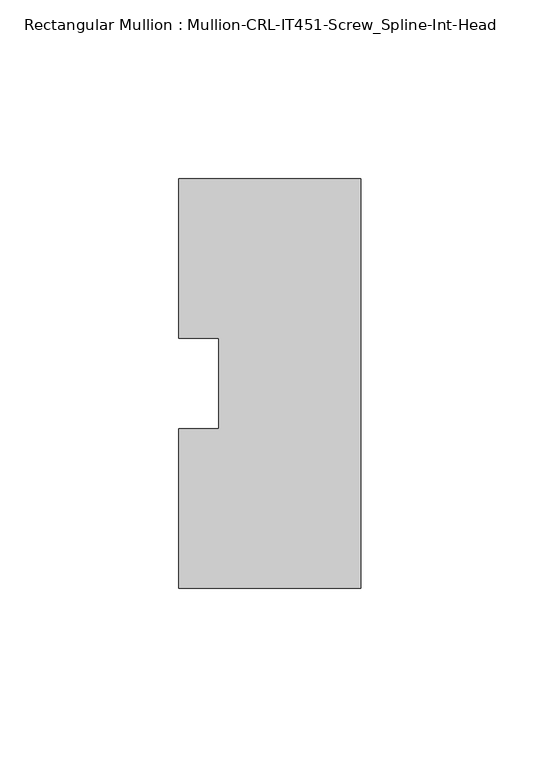
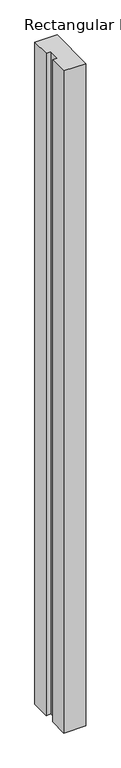
"""IFC4 building model written with IfcOpenShell, lengths in millimetres: member geometry, Rectangular Mullion : Mullion-CRL-IT451-Screw_Spline-Int-Head."""

from ifc_helpers import new_model, si_unit, frame, origin, place, context, project, spatial, polyline, outline, extrude, source, transform, mapped, element, save


def rectangular_mullion_mullion_crl_it451_screw_spline_int_head_d3beec40(model_context):
    return source(origin(), model_context, "Body", "SweptSolid", [
        extrude(outline(polyline([(0.0, -57.15), (-50.8, -57.15), (-50.8, -12.7), (-39.6875, -12.7), (-39.6875, 12.7), (-50.8, 12.7), (-50.8, 57.15), (0.0, 57.15), (0.0, -57.15)])), frame((0.0, 0.0, -1603.375), z_axis=(0.0, 0.0, 1.0), x_axis=(1.0, 0.0, 0.0)), (0.0, 0.0, 1.0), 1603.375),
    ])


if __name__ == "__main__":
    model = new_model("IFC4")
    model_context = context("Model", 3, world=origin())
    ifc_project = project(units=[si_unit("LENGTHUNIT", "METRE", prefix="MILLI")], contexts=[model_context])
    site = spatial("IfcSite", under=ifc_project)
    building = spatial("IfcBuilding", under=site)
    placement = place(None, origin())
    rectangular_mullion_mullion_crl_it451_screw_spline_int_head_shape = rectangular_mullion_mullion_crl_it451_screw_spline_int_head_d3beec40(model_context)
    element("IfcMember", 1, ObjectType="Rectangular Mullion : Mullion-CRL-IT451-Screw_Spline-Int-Head", at=placement, inside=building, context=model_context, shape_type="MappedRepresentation", body=[
        mapped(rectangular_mullion_mullion_crl_it451_screw_spline_int_head_shape, transform((0.0, 0.0, 0.0), x_axis=(1.0, 0.0, 0.0), y_axis=(0.0, 1.0, 0.0), z_axis=(0.0, 0.0, 1.0))),
    ])
    save(model, "model.ifc")
